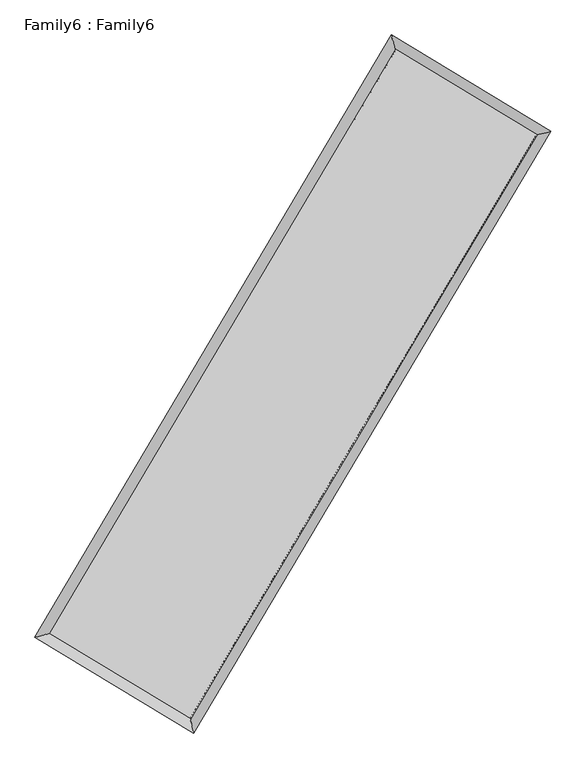
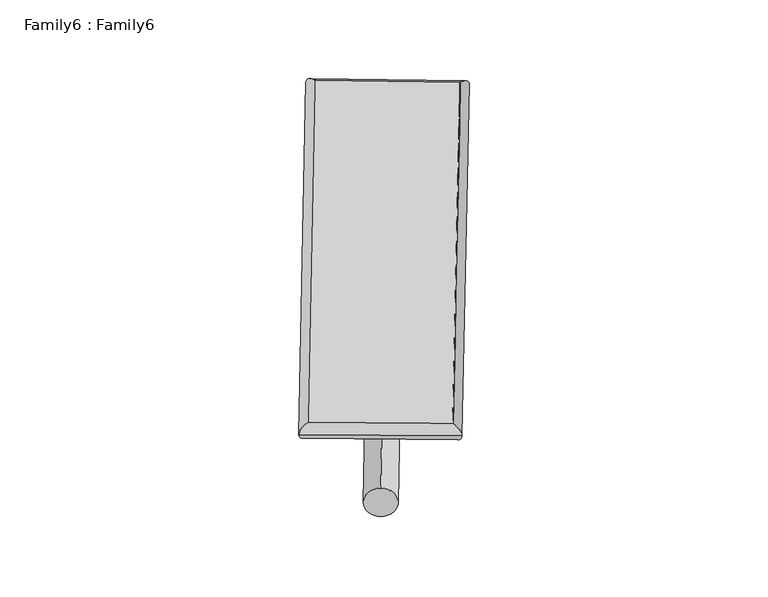
"""IFC4 building model written with IfcOpenShell, lengths in millimetres: plate geometry, Family6 : Family6."""

from ifc_helpers import new_model, si_unit, point, frame, origin, origin_2d, place, context, project, spatial, circle_curve, ellipse_curve, trimmed, segment, composite_curve, outline, extrude, source, transform, mapped, element, save
from ifc_brep_helpers import plane_surface, cylinder_surface, spline_surface, advanced_brep


def family6_family6_4e6da911(model_context):
    return source(origin(), model_context, "Body", "SolidModel", [
        extrude(outline(composite_curve([segment(trimmed(circle_curve(origin_2d(), 76.2), [point((-75.4341514, -10.7763073))], [point((75.4341514, 10.7763073))], False, "CARTESIAN"), True, "CONTINUOUS"), segment(trimmed(circle_curve(origin_2d(), 76.2), [point((75.4341514, 10.7763073))], [point((-75.4341514, -10.7763073))], False, "CARTESIAN"), True, "CONTINUOUS")], self_intersect=False)), frame((9144.0, 9144.0, 0.0), z_axis=(0.6737558439461244, 0.6867265520295704, 0.2728730574571689), x_axis=(-0.6787736222272839, 0.721109223826768, -0.13880870678890703)), (0.0, 0.0, 1.0), 5561.8913277),
        extrude(outline(composite_curve([segment(trimmed(circle_curve(origin_2d(), 76.2), [point((-53.8815367, 53.8815367))], [point((53.8815367, -53.8815367))], False, "CARTESIAN"), True, "CONTINUOUS"), segment(trimmed(circle_curve(origin_2d(), 76.2), [point((53.8815367, -53.8815367))], [point((-53.8815367, 53.8815367))], False, "CARTESIAN"), True, "CONTINUOUS")], self_intersect=False)), frame((9144.0, 9144.0, 0.0), z_axis=(-0.6731608996880196, -0.6873153987144394, 0.27285883863497484), x_axis=(0.6413426543596088, -0.35892487910256676, 0.6781242739057343)), (0.0, 0.0, 1.0), 5562.1003076),
        extrude(outline(composite_curve([segment(trimmed(circle_curve(origin_2d(), 76.2), [point((-53.8815368, -53.8815367))], [point((53.8815368, 53.8815367))], False, "CARTESIAN"), True, "CONTINUOUS"), segment(trimmed(circle_curve(origin_2d(), 76.2), [point((53.8815368, 53.8815367))], [point((-53.8815368, -53.8815367))], False, "CARTESIAN"), True, "CONTINUOUS")], self_intersect=False)), frame((9144.0, 9144.0, 0.0), z_axis=(0.28041817571808747, 0.9201083285393824, 0.27343428914348683), x_axis=(-0.838700865429427, 0.37341263801441477, -0.3964137486251529)), (0.0, 0.0, 1.0), 5585.1472838),
        extrude(outline(composite_curve([segment(trimmed(circle_curve(origin_2d(), 76.2), [point((-75.4341514, 10.7763074))], [point((75.4341514, -10.7763074))], False, "CARTESIAN"), True, "CONTINUOUS"), segment(trimmed(circle_curve(origin_2d(), 76.2), [point((75.4341514, -10.7763074))], [point((-75.4341514, 10.7763074))], False, "CARTESIAN"), True, "CONTINUOUS")], self_intersect=False)), frame((9144.0, 9144.0, 0.0), z_axis=(-0.281069375587656, -0.9198592649332311, 0.27360361624668106), x_axis=(0.8764776764877574, -0.12992638222341962, 0.4635795701073937)), (0.0, 0.0, 1.0), 5581.5113131),
        advanced_brep(
        [(5191.599361, 5268.6499937, 1518.4250325), (5608.0267622, 5373.519883, 1518.6253015), (5608.0237445, 5373.5156251, 1516.9114281), (10762.8851378, 14072.9425247, 1526.1357112), (10657.4684871, 14492.9385392, 1528.2058434), (5191.5963433, 5268.6457357, 1516.7111591), (12683.1472547, 12911.3351981, 1517.7893036), (13099.5663161, 13015.6617103, 1517.5912801), (7522.4900509, 4219.5177903, 1526.9448335), (7627.9261499, 3800.0724223, 1527.2985253)],
        [
            (0, 1, ellipse_curve(frame((5399.8115528, 5321.0828094, 1517.6682303), z_axis=(-0.24420623768140454, 0.969721298240754, -0.0019791957356633688), x_axis=(-0.9697163624250352, -0.24421170774372802, -0.003289110221581188)), 214.7188816, 152.4)),
            (1, 2, ellipse_curve(frame((5399.8115528, 5321.0828094, 1517.6682303), z_axis=(-0.24420623768140454, 0.969721298240754, -0.0019791957356633688), x_axis=(-0.9697163624250352, -0.24421170774372802, -0.003289110221581188)), 214.7188816, 152.4)),
            (2, 3),
            (3, 4, ellipse_curve(frame((10710.1768124, 14282.940532, 1527.1707773), z_axis=(-0.969910888229956, -0.24345203584185268, 0.001993774670111696), x_axis=(0.24344492210744897, -0.9699092446253712, -0.003259921830375073)), 216.5144623, 152.4)),
            (4, 0),
            (2, 5, ellipse_curve(frame((5399.8115528, 5321.0828094, 1517.6682303), z_axis=(-0.24420623768140454, 0.969721298240754, -0.0019791957356633688), x_axis=(-0.9697163624250352, -0.24421170774372802, -0.003289110221581188)), 214.7188816, 152.4)),
            (5, 0, ellipse_curve(frame((5399.8115528, 5321.0828094, 1517.6682303), z_axis=(-0.24420623768140454, 0.969721298240754, -0.0019791957356633688), x_axis=(-0.9697163624250352, -0.24421170774372802, -0.003289110221581188)), 214.7188816, 152.4)),
            (4, 3, ellipse_curve(frame((10710.1768124, 14282.940532, 1527.1707773), z_axis=(-0.969910888229956, -0.24345203584185268, 0.001993774670111696), x_axis=(0.24344492210744897, -0.9699092446253712, -0.003259921830375073)), 216.5144623, 152.4)),
            (3, 6),
            (6, 7, ellipse_curve(frame((12891.3567854, 12963.4984542, 1517.6902918), z_axis=(-0.24302039102053546, 0.9700191568709708, 0.0019811238115397915), x_axis=(-0.9700142498135407, -0.24302586810112234, 0.0032836857903363282)), 214.6452534, 152.4)),
            (7, 4),
            (7, 6, ellipse_curve(frame((12891.3567854, 12963.4984542, 1517.6902918), z_axis=(-0.24302039102053546, 0.9700191568709708, 0.0019811238115397915), x_axis=(-0.9700142498135407, -0.24302586810112234, 0.0032836857903363282)), 214.6452534, 152.4)),
            (6, 8),
            (8, 9, ellipse_curve(frame((7575.2081004, 4009.7951063, 1527.1216794), z_axis=(0.9698266692258791, 0.24378728456506094, 0.001997884539080505), x_axis=(-0.2437801555849632, 0.9698250356949889, -0.0032612700263489206)), 216.2478003, 152.4)),
            (9, 7),
            (9, 8, ellipse_curve(frame((7575.2081004, 4009.7951063, 1527.1216794), z_axis=(0.9698266692258791, 0.24378728456506094, 0.001997884539080505), x_axis=(-0.2437801555849632, 0.9698250356949889, -0.0032612700263489206)), 216.2478003, 152.4)),
            (8, 1),
            (5, 9),
        ],
        [
            cylinder_surface(frame((5399.8115528, 5321.0828094, 1517.6682303), z_axis=(-0.509776228524257, -0.860306552749094, -0.000912210806245344), x_axis=(-0.8602948129082043, 0.5097630466194917, 0.0058712166074651505)), 152.4),
            cylinder_surface(frame((10710.1768124, 14282.940532, 1527.1707773), z_axis=(-0.8556237341570971, 0.5175849639031355, 0.003718963357640673), x_axis=(0.5175958230716339, 0.8556198511645966, 0.003038787895159196)), 152.4),
            cylinder_surface(frame((12891.3567854, 12963.4984542, 1517.6902918), z_axis=(0.5105305442958098, 0.8598591413648591, -0.0009057330243200119), x_axis=(0.8598595824478923, -0.5105305442958098, 0.0002486233304493365)), 152.4),
            cylinder_surface(frame((7575.2081004, 4009.7951063, 1527.1216794), z_axis=(0.8564344297115589, -0.5162424006798395, 0.0037217395063997806), x_axis=(-0.5162360061768213, -0.8564424659802854, -0.002586192609397622)), 152.4),
        ],
        [
            (0, [[1, 2, 3, 4, 5]]),
            (0, [[6, 7, -5, 8, -3]]),
            (1, [[-4, 9, 10, 11]]),
            (1, [[-8, -11, 12, -9]]),
            (2, [[-10, 13, 14, 15]]),
            (2, [[-12, -15, 16, -13]]),
            (3, [[-14, 17, -1, -7, 18]]),
            (3, [[-16, -18, -6, -2, -17]]),
        ],
    ),
        extrude(outline(composite_curve([segment(trimmed(circle_curve(origin_2d(), 304.8), [point((0.0, 304.8))], [point((1e-07, -304.8))], False, "CARTESIAN"), True, "CONTINUOUS"), segment(trimmed(circle_curve(origin_2d(), 304.8), [point((1e-07, -304.8))], [point((0.0, 304.8))], False, "CARTESIAN"), True, "CONTINUOUS")], self_intersect=False)), frame((11805.1297925, 13641.2980541, -9.76e-05), z_axis=(-0.5092448714154418, -0.8606216711988315, 1.8669081304796477e-08), x_axis=(-0.8606216711988318, 0.509244871415442, -5.109654507237839e-09)), (0.0, 0.0, 1.0), 10451.2777323),
        advanced_brep(
        [(5399.8115528, 5321.0828094, 1517.6682303), (7575.2081004, 4009.7951063, 1527.1216794), (7575.2093892, 4009.7937057, 1679.5216794), (5399.8128416, 5321.0814087, 1670.0682303), (12891.3567854, 12963.4984542, 1517.6902918), (12891.3580742, 12963.4970536, 1670.0902918), (10710.1768124, 14282.940532, 1527.1707773), (10710.1781013, 14282.9391313, 1679.5707773)],
        [
            (0, 1),
            (1, 2),
            (2, 3),
            (3, 0),
            (1, 4),
            (4, 5),
            (5, 2),
            (4, 6),
            (6, 7),
            (7, 5),
            (6, 0),
            (3, 7),
        ],
        [
            plane_surface(frame((6487.5098266, 4665.4389578, 1522.3949548), z_axis=(-0.5162459648663953, -0.8564403678872671, -3.505350885082926e-06), x_axis=(0.8564344297115588, -0.5162424006798393, 0.00372173950639978))),
            plane_surface(frame((10233.2824429, 8486.6467803, 1522.4059856), z_axis=(0.8598594884651555, -0.5105307629842788, -1.1963763925590843e-05), x_axis=(0.5105305442958097, 0.8598591413648593, -0.0009057330243200101))),
            plane_surface(frame((11800.7667989, 13623.2194931, 1522.4305346), z_axis=(0.5175885543097687, 0.8556296444346513, 3.4865457978795755e-06), x_axis=(-0.8556237341570969, 0.5175849639031355, 0.0037189633576406728))),
            plane_surface(frame((8054.9941826, 9802.0116707, 1522.4195038), z_axis=(-0.8603069161925757, 0.5097764312011339, 1.1960615031402747e-05), x_axis=(-0.5097762285242572, -0.8603065527490938, -0.0009122108062453428))),
            spline_surface(1, 1, [[(7575.2093892, 4009.7937057, 1679.5216794), (5399.8128416, 5321.0814087, 1670.0682303)], [(12891.3580742, 12963.4970536, 1670.0902918), (10710.1781013, 14282.9391313, 1679.5707773)]], [2, 2], [2, 2], [0.0, 1.0], [0.0, 1.0]),
            spline_surface(1, 1, [[(10710.1768124, 14282.940532, 1527.1707773), (5399.8115528, 5321.0828094, 1517.6682303)], [(12891.3567854, 12963.4984542, 1517.6902918), (7575.2081004, 4009.7951063, 1527.1216794)]], [2, 2], [2, 2], [0.0, 1.0], [0.0, 1.0]),
        ],
        [
            (0, [[1, 2, 3, 4]]),
            (1, [[5, 6, 7, -2]]),
            (2, [[8, 9, 10, -6]]),
            (3, [[11, -4, 12, -9]]),
            (4, [[-3, -7, -10, -12]]),
            (5, [[-11, -8, -5, -1]]),
        ],
    ),
    ])


if __name__ == "__main__":
    model = new_model("IFC4")
    model_context = context("Model", 3, world=origin())
    ifc_project = project(units=[si_unit("LENGTHUNIT", "METRE", prefix="MILLI")], contexts=[model_context])
    site = spatial("IfcSite", under=ifc_project)
    building = spatial("IfcBuilding", under=site)
    placement = place(None, origin())
    family6_family6_shape = family6_family6_4e6da911(model_context)
    element("IfcPlate", 1, ObjectType="Family6 : Family6", at=placement, inside=building, context=model_context, shape_type="MappedRepresentation", body=[
        mapped(family6_family6_shape, transform((0.0, 0.0, 0.0), x_axis=(1.0, 0.0, 0.0), y_axis=(0.0, 1.0, 0.0), z_axis=(0.0, 0.0, 1.0))),
    ])
    save(model, "model.ifc")
